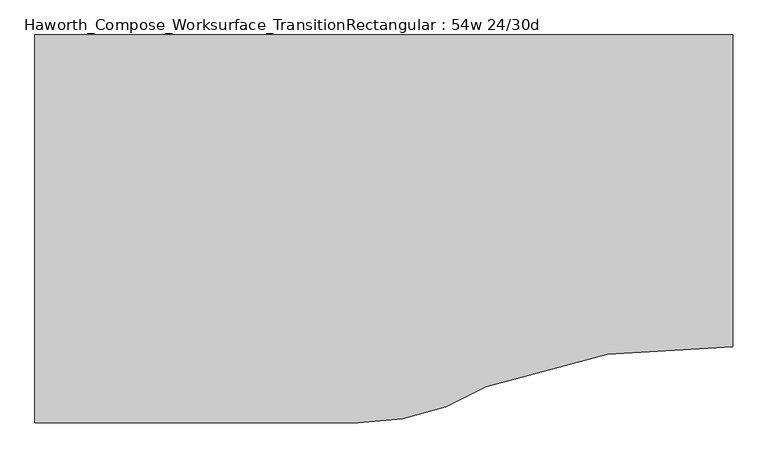
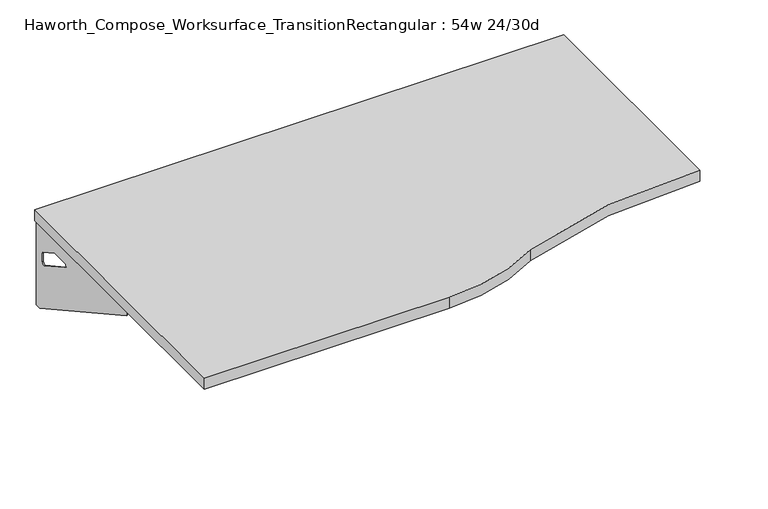
"""IFC4 building model written with IfcOpenShell, lengths in millimetres: furniture geometry, Haworth_Compose_Worksurface_TransitionRectangular : 54w 24/30d."""

from ifc_helpers import new_model, si_unit, point, frame, frame_2d, origin, place, context, project, spatial, polyline, circle_curve, trimmed, segment, composite_curve, outline, extrude, source, transform, mapped, element, save
from ifc_brep_helpers import plane_surface, revolved_surface, advanced_brep


def haworth_compose_worksurface_transitionrectangular_54w_24_30d_7917aadd(model_context):
    return source(origin(), model_context, "Body", "SolidModel", [
        advanced_brep(
        [(661.19375, 228.6, 475.45625), (661.19375, 212.725, 475.45625), (661.19375, -177.8, 691.7192568), (661.19375, -177.8, 704.05625), (661.19375, 212.725, 704.05625), (661.19375, 228.6, 704.05625), (661.19375, 145.290072, 665.95625), (661.19375, 101.6355284, 665.95625), (661.19375, 98.9564235, 656.3705539), (661.19375, 190.6776173, 605.5776439), (661.19375, 200.025, 611.1756969), (661.19375, 200.025, 634.6860246), (661.19375, 198.2730055, 637.5242776), (661.19375, 148.3663437, 665.1613425), (663.575, 228.6, 475.45625), (663.575, 228.6, 704.05625), (663.575, 212.725, 704.05625), (663.575, 212.725, 706.4375), (663.575, -177.8, 706.4375), (663.575, -177.8, 691.7192568), (663.575, 212.725, 475.45625), (663.575, 145.290072, 665.95625), (663.575, 148.3663437, 665.1613425), (663.575, 198.2730055, 637.5242776), (663.575, 200.025, 634.6860246), (663.575, 200.025, 611.1756969), (663.575, 190.6776173, 605.5776439), (663.575, 98.9564235, 656.3705539), (663.575, 101.6355284, 665.95625), (622.3, -177.8, 706.4375), (622.3, -177.8, 704.05625), (622.3, 212.725, 704.05625), (622.3, 212.725, 706.4375)],
        [
            (0, 1),
            (1, 2),
            (2, 3),
            (3, 4),
            (4, 5),
            (5, 0),
            (6, 7),
            (7, 8, circle_curve(frame((661.19375, 101.6355284, 660.7890106), z_axis=(1.0, 0.0, 0.0), x_axis=(0.0, -1.0, 0.0)), 5.1672394)),
            (8, 9),
            (9, 10, circle_curve(frame((661.19375, 193.675, 611.1756969), z_axis=(1.0, 0.0, 0.0), x_axis=(0.0, -1.0, 0.0)), 6.35)),
            (10, 11),
            (11, 12, circle_curve(frame((661.19375, 196.85, 634.6860246), z_axis=(1.0, 0.0, 0.0), x_axis=(0.0, -1.0, 0.0)), 3.175)),
            (12, 13),
            (13, 6, circle_curve(frame((661.19375, 145.290072, 659.60625), z_axis=(1.0, 0.0, 0.0), x_axis=(0.0, -1.0, 0.0)), 6.35)),
            (14, 15),
            (15, 16),
            (16, 17),
            (17, 18),
            (18, 19),
            (19, 20),
            (20, 14),
            (21, 22, circle_curve(frame((663.575, 145.290072, 659.60625), z_axis=(-1.0, 0.0, 0.0), x_axis=(0.0, -1.0, 0.0)), 6.35)),
            (22, 23),
            (23, 24, circle_curve(frame((663.575, 196.85, 634.6860246), z_axis=(-1.0, 0.0, 0.0), x_axis=(0.0, -1.0, 0.0)), 3.175)),
            (24, 25),
            (25, 26, circle_curve(frame((663.575, 193.675, 611.1756969), z_axis=(-1.0, 0.0, 0.0), x_axis=(0.0, -1.0, 0.0)), 6.35)),
            (26, 27),
            (27, 28, circle_curve(frame((663.575, 101.6355284, 660.7890106), z_axis=(-1.0, 0.0, 0.0), x_axis=(0.0, -1.0, 0.0)), 5.1672394)),
            (28, 21),
            (4, 16),
            (15, 5),
            (14, 0),
            (20, 1),
            (19, 2),
            (18, 29),
            (29, 30),
            (30, 3),
            (6, 21),
            (28, 7),
            (9, 26),
            (25, 10),
            (24, 11),
            (23, 12),
            (27, 8),
            (31, 4),
            (30, 31),
            (32, 29),
            (17, 32),
            (31, 32),
            (22, 13),
        ],
        [
            plane_surface(frame((661.19375, 228.6, 475.45625), z_axis=(-1.0, 0.0, 0.0), x_axis=(0.0, 1.0, 0.0))),
            plane_surface(frame((663.575, 228.6, 475.45625), z_axis=(1.0, 0.0, 0.0), x_axis=(0.0, -1.0, 0.0))),
            plane_surface(frame((663.575, -177.8, 704.05625), z_axis=(0.0, 0.0, 1.0), x_axis=(-1.0, 0.0, 0.0))),
            plane_surface(frame((663.575, 228.6, 704.05625), z_axis=(0.0, 1.0, 0.0), x_axis=(-1.0, 0.0, 0.0))),
            plane_surface(frame((663.575, 228.6, 475.45625), z_axis=(0.0, 0.0, -1.0), x_axis=(-1.0, 0.0, 0.0))),
            plane_surface(frame((663.575, 212.725, 475.45625), z_axis=(0.0, -0.48445223513455843, -0.8748177135112952), x_axis=(-1.0, 0.0, 0.0))),
            plane_surface(frame((663.575, -177.8, 691.7192568), z_axis=(0.0, -1.0, 0.0), x_axis=(-1.0, 0.0, 0.0))),
            plane_surface(frame((663.575, 145.290072, 665.95625), z_axis=(0.0, 0.0, -1.0), x_axis=(-1.0, 0.0, 0.0))),
            revolved_surface(polyline([(661.19375, 187.32500000000002, 611.1756969), (663.575, 187.32500000000002, 611.1756969)]), (663.575, 193.675, 611.1756969), (-1.0, 0.0, 0.0)),
            plane_surface(frame((663.575, 200.025, 611.1756969), z_axis=(0.0, -1.0, 0.0), x_axis=(-1.0, 0.0, 0.0))),
            revolved_surface(polyline([(661.19375, 193.67499999999998, 634.6860246), (663.575, 193.67499999999998, 634.6860246)]), (663.575, 196.85, 634.6860246), (-1.0, 0.0, 0.0)),
            revolved_surface(polyline([(661.19375, 96.468289, 660.7890106), (663.575, 96.468289, 660.7890106)]), (663.575, 101.6355284, 660.7890106), (-1.0, 0.0, 0.0)),
            plane_surface(frame((663.575, 212.725, 704.05625), z_axis=(0.0, 0.0, -1.0), x_axis=(-1.0, 0.0, 0.0))),
            plane_surface(frame((663.575, 212.725, 706.4375), z_axis=(0.0, 0.0, 1.0), x_axis=(1.0, 0.0, 0.0))),
            plane_surface(frame((622.3, 212.725, 706.4375), z_axis=(0.0, 1.0, 0.0), x_axis=(0.0, 0.0, -1.0))),
            plane_surface(frame((622.3, -177.8, 706.4375), z_axis=(-1.0, 0.0, 0.0), x_axis=(0.0, 0.0, -1.0))),
            plane_surface(frame((663.575, 98.9564235, 656.3705539), z_axis=(0.0, 0.4844522351345583, 0.8748177135112953), x_axis=(-1.0, 0.0, 0.0))),
            plane_surface(frame((663.575, 198.2730055, 637.5242776), z_axis=(0.0, -0.4844522351345582, -0.8748177135112953), x_axis=(-1.0, 0.0, 0.0))),
            revolved_surface(polyline([(661.19375, 138.94007200000001, 659.60625), (663.575, 138.94007200000001, 659.60625)]), (663.575, 145.290072, 659.60625), (-1.0, 0.0, 0.0)),
        ],
        [
            (0, [[1, 2, 3, 4, 5, 6], [7, 8, 9, 10, 11, 12, 13, 14]]),
            (1, [[15, 16, 17, 18, 19, 20, 21], [22, 23, 24, 25, 26, 27, 28, 29]]),
            (2, [[-5, 30, -16, 31]]),
            (3, [[-31, -15, 32, -6]]),
            (4, [[-32, -21, 33, -1]]),
            (5, [[-33, -20, 34, -2]]),
            (6, [[-34, -19, 35, 36, 37, -3]]),
            (7, [[38, -29, 39, -7]]),
            (8, [[40, -26, 41, -10]]),
            (9, [[-41, -25, 42, -11]]),
            (10, [[-42, -24, 43, -12]]),
            (11, [[-39, -28, 44, -8]]),
            (12, [[45, -4, -37, 46]]),
            (13, [[47, -35, -18, 48]]),
            (14, [[-17, -30, -45, 49, -48]]),
            (15, [[-36, -47, -49, -46]]),
            (16, [[-44, -27, -40, -9]]),
            (17, [[-43, -23, 50, -13]]),
            (18, [[-50, -22, -38, -14]]),
        ],
    ),
        advanced_brep(
        [(-699.29375, 228.6, 475.45625), (-699.29375, 228.6, 704.05625), (-699.29375, 212.725, 704.05625), (-699.29375, -177.8, 704.05625), (-699.29375, -177.8, 691.7192568), (-699.29375, 212.725, 475.45625), (-699.29375, 145.290072, 665.95625), (-699.29375, 148.3663437, 665.1613425), (-699.29375, 198.2730055, 637.5242776), (-699.29375, 200.025, 634.6860246), (-699.29375, 200.025, 611.1756969), (-699.29375, 190.6776173, 605.5776439), (-699.29375, 98.9564235, 656.3705539), (-699.29375, 101.6355284, 665.95625), (-701.675, 228.6, 475.45625), (-701.675, 212.725, 475.45625), (-701.675, -177.8, 691.7192568), (-701.675, -177.8, 706.4375), (-701.675, 212.725, 706.4375), (-701.675, 212.725, 704.05625), (-701.675, 228.6, 704.05625), (-701.675, 145.290072, 665.95625), (-701.675, 101.6355284, 665.95625), (-701.675, 98.9564235, 656.3705539), (-701.675, 190.6776173, 605.5776439), (-701.675, 200.025, 611.1756969), (-701.675, 200.025, 634.6860246), (-701.675, 198.2730055, 637.5242776), (-701.675, 148.3663437, 665.1613425), (-660.4, -177.8, 704.05625), (-660.4, -177.8, 706.4375), (-660.4, 212.725, 704.05625), (-660.4, 212.725, 706.4375)],
        [
            (0, 1),
            (1, 2),
            (2, 3),
            (3, 4),
            (4, 5),
            (5, 0),
            (6, 7, circle_curve(frame((-699.29375, 145.290072, 659.60625), z_axis=(-1.0, 0.0, 0.0), x_axis=(0.0, -1.0, 0.0)), 6.35)),
            (7, 8),
            (8, 9, circle_curve(frame((-699.29375, 196.85, 634.6860246), z_axis=(-1.0, 0.0, 0.0), x_axis=(0.0, -1.0, 0.0)), 3.175)),
            (9, 10),
            (10, 11, circle_curve(frame((-699.29375, 193.675, 611.1756969), z_axis=(-1.0, 0.0, 0.0), x_axis=(0.0, -1.0, 0.0)), 6.35)),
            (11, 12),
            (12, 13, circle_curve(frame((-699.29375, 101.6355284, 660.7890106), z_axis=(-1.0, 0.0, 0.0), x_axis=(0.0, -1.0, 0.0)), 5.1672394)),
            (13, 6),
            (14, 15),
            (15, 16),
            (16, 17),
            (17, 18),
            (18, 19),
            (19, 20),
            (20, 14),
            (21, 22),
            (22, 23, circle_curve(frame((-701.675, 101.6355284, 660.7890106), z_axis=(1.0, 0.0, 0.0), x_axis=(0.0, -1.0, 0.0)), 5.1672394)),
            (23, 24),
            (24, 25, circle_curve(frame((-701.675, 193.675, 611.1756969), z_axis=(1.0, 0.0, 0.0), x_axis=(0.0, -1.0, 0.0)), 6.35)),
            (25, 26),
            (26, 27, circle_curve(frame((-701.675, 196.85, 634.6860246), z_axis=(1.0, 0.0, 0.0), x_axis=(0.0, -1.0, 0.0)), 3.175)),
            (27, 28),
            (28, 21, circle_curve(frame((-701.675, 145.290072, 659.60625), z_axis=(1.0, 0.0, 0.0), x_axis=(0.0, -1.0, 0.0)), 6.35)),
            (1, 20),
            (19, 2),
            (0, 14),
            (5, 15),
            (4, 16),
            (3, 29),
            (29, 30),
            (30, 17),
            (13, 22),
            (21, 6),
            (10, 25),
            (24, 11),
            (9, 26),
            (8, 27),
            (12, 23),
            (31, 29),
            (2, 31),
            (32, 18),
            (30, 32),
            (32, 31),
            (7, 28),
        ],
        [
            plane_surface(frame((-699.29375, 228.6, 475.45625), z_axis=(1.0, 0.0, 0.0), x_axis=(0.0, 1.0, 0.0))),
            plane_surface(frame((-701.675, 228.6, 475.45625), z_axis=(-1.0, 0.0, 0.0), x_axis=(0.0, -1.0, 0.0))),
            plane_surface(frame((-701.675, -177.8, 704.05625), z_axis=(0.0, 0.0, 1.0), x_axis=(1.0, 0.0, 0.0))),
            plane_surface(frame((-701.675, 228.6, 704.05625), z_axis=(0.0, 1.0, 0.0), x_axis=(1.0, 0.0, 0.0))),
            plane_surface(frame((-701.675, 228.6, 475.45625), z_axis=(0.0, 0.0, -1.0), x_axis=(1.0, 0.0, 0.0))),
            plane_surface(frame((-701.675, 212.725, 475.45625), z_axis=(0.0, -0.48445223513455843, -0.8748177135112952), x_axis=(1.0, 0.0, 0.0))),
            plane_surface(frame((-701.675, -177.8, 691.7192568), z_axis=(0.0, -1.0, 0.0), x_axis=(1.0, 0.0, 0.0))),
            plane_surface(frame((-701.675, 145.290072, 665.95625), z_axis=(0.0, 0.0, -1.0), x_axis=(1.0, 0.0, 0.0))),
            revolved_surface(polyline([(-699.29375, 187.32500000000002, 611.1756969), (-701.675, 187.32500000000002, 611.1756969)]), (-701.675, 193.675, 611.1756969), (1.0, 0.0, 0.0)),
            plane_surface(frame((-701.675, 200.025, 611.1756969), z_axis=(0.0, -1.0, 0.0), x_axis=(1.0, 0.0, 0.0))),
            revolved_surface(polyline([(-699.29375, 193.67499999999998, 634.6860246), (-701.675, 193.67499999999998, 634.6860246)]), (-701.675, 196.85, 634.6860246), (1.0, 0.0, 0.0)),
            revolved_surface(polyline([(-699.29375, 96.468289, 660.7890106), (-701.675, 96.468289, 660.7890106)]), (-701.675, 101.6355284, 660.7890106), (1.0, 0.0, 0.0)),
            plane_surface(frame((-701.675, 212.725, 704.05625), z_axis=(0.0, 0.0, -1.0), x_axis=(1.0, 0.0, 0.0))),
            plane_surface(frame((-701.675, 212.725, 706.4375), z_axis=(0.0, 0.0, 1.0), x_axis=(-1.0, 0.0, 0.0))),
            plane_surface(frame((-660.4, 212.725, 706.4375), z_axis=(0.0, 1.0, 0.0), x_axis=(0.0, 0.0, -1.0))),
            plane_surface(frame((-660.4, -177.8, 706.4375), z_axis=(1.0, 0.0, 0.0), x_axis=(0.0, 0.0, -1.0))),
            plane_surface(frame((-701.675, 98.9564235, 656.3705539), z_axis=(0.0, 0.4844522351345583, 0.8748177135112953), x_axis=(1.0, 0.0, 0.0))),
            plane_surface(frame((-701.675, 198.2730055, 637.5242776), z_axis=(0.0, -0.4844522351345582, -0.8748177135112953), x_axis=(1.0, 0.0, 0.0))),
            revolved_surface(polyline([(-699.29375, 138.94007200000001, 659.60625), (-701.675, 138.94007200000001, 659.60625)]), (-701.675, 145.290072, 659.60625), (1.0, 0.0, 0.0)),
        ],
        [
            (0, [[1, 2, 3, 4, 5, 6], [7, 8, 9, 10, 11, 12, 13, 14]]),
            (1, [[15, 16, 17, 18, 19, 20, 21], [22, 23, 24, 25, 26, 27, 28, 29]]),
            (2, [[30, -20, 31, -2]]),
            (3, [[-1, 32, -21, -30]]),
            (4, [[-6, 33, -15, -32]]),
            (5, [[-5, 34, -16, -33]]),
            (6, [[-4, 35, 36, 37, -17, -34]]),
            (7, [[-14, 38, -22, 39]]),
            (8, [[-11, 40, -25, 41]]),
            (9, [[-10, 42, -26, -40]]),
            (10, [[-9, 43, -27, -42]]),
            (11, [[-13, 44, -23, -38]]),
            (12, [[45, -35, -3, 46]]),
            (13, [[47, -18, -37, 48]]),
            (14, [[-47, 49, -46, -31, -19]]),
            (15, [[-45, -49, -48, -36]]),
            (16, [[-12, -41, -24, -44]]),
            (17, [[-8, 50, -28, -43]]),
            (18, [[-7, -39, -29, -50]]),
        ],
    ),
        extrude(outline(composite_curve([segment(trimmed(circle_curve(frame_2d((615.9932653, -1601.8064208)), 1219.2), [point((666.75, -383.6634103))], [point((181.9318841, -462.4911188))], True, "CARTESIAN"), True, "CONTINUOUS"), segment(trimmed(circle_curve(frame_2d((-69.8878584, -50.8)), 482.6), [point((181.9318841, -462.4911188))], [point((-69.8878584, -533.4))], False, "CARTESIAN"), True, "CONTINUOUS"), segment(polyline([(-69.8878584, -533.4), (-704.85, -533.4), (-704.85, 228.6), (666.75, 228.6), (666.75, -383.6634103)]), True, "CONTINUOUS")], self_intersect=False)), frame((0.0, 0.0, 706.4375), z_axis=(0.0, 0.0, 1.0), x_axis=(1.0, 0.0, 0.0)), (0.0, 0.0, 1.0), 30.1625),
    ])


if __name__ == "__main__":
    model = new_model("IFC4")
    model_context = context("Model", 3, world=origin())
    ifc_project = project(units=[si_unit("LENGTHUNIT", "METRE", prefix="MILLI")], contexts=[model_context])
    site = spatial("IfcSite", under=ifc_project)
    building = spatial("IfcBuilding", under=site)
    placement = place(None, origin())
    haworth_compose_worksurface_transitionrectangular_54w_24_30d_shape = haworth_compose_worksurface_transitionrectangular_54w_24_30d_7917aadd(model_context)
    element("IfcFurniture", 1, ObjectType="Haworth_Compose_Worksurface_TransitionRectangular : 54w 24/30d", at=placement, inside=building, context=model_context, shape_type="MappedRepresentation", body=[
        mapped(haworth_compose_worksurface_transitionrectangular_54w_24_30d_shape, transform((0.0, 0.0, 0.0), x_axis=(1.0, 0.0, 0.0), y_axis=(0.0, 1.0, 0.0), z_axis=(0.0, 0.0, 1.0))),
    ])
    save(model, "model.ifc")
